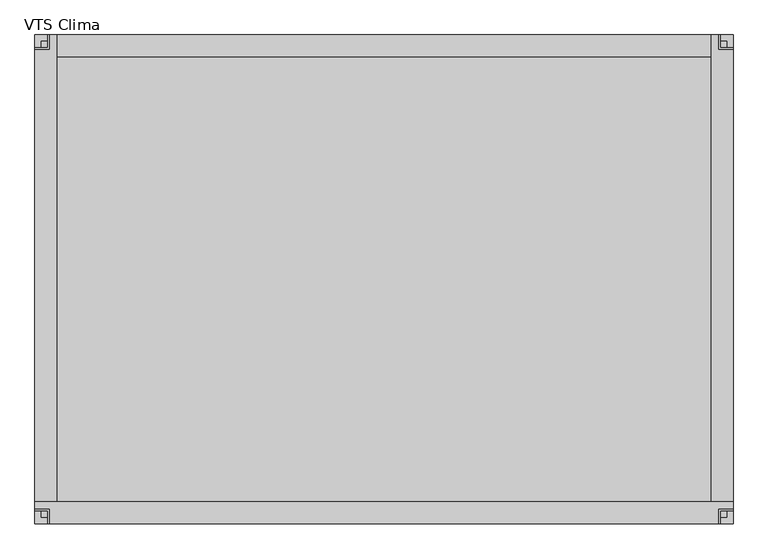
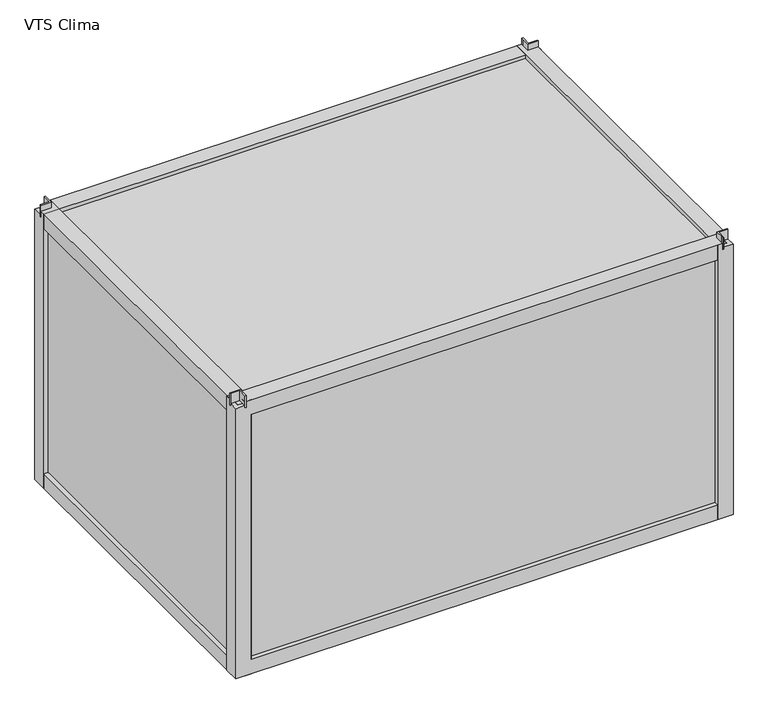
"""IFC4 building model written with IfcOpenShell, lengths in millimetres: proxy geometry, VTS Clima."""

from ifc_helpers import new_model, si_unit, frame, origin, place, context, project, spatial, polyline, outline, extrude, faceted_brep, source, transform, mapped, element, save


def vts_clima_abdf99bc(model_context):
    return source(origin(), model_context, "Body", "SolidModel", [
        faceted_brep([(575.0, -394.9999993, 765.0), (575.0, -413.3098058, 765.0), (575.0, -419.9999993, 765.0), (578.0, -419.9999993, 765.0), (578.0, -397.9999993, 765.0), (600.0, -397.9999993, 765.0), (600.0, -394.9999993, 765.0), (575.0, -394.9999993, 735.0), (600.0, -394.9999993, 735.0), (600.0, -397.9999993, 735.0), (578.0, -397.9999993, 735.0), (578.0, -419.9999993, 735.0), (575.0, -419.9999993, 735.0), (575.0, -413.3098058, 735.0), (578.0, -419.9999993, 750.0), (578.0, -397.9999993, 750.0), (600.0, -397.9999993, 750.0)], [[[0, 1, 2, 3, 4, 5, 6]], [[7, 8, 9, 10, 11, 12, 13]], [[1, 0, 7, 13]], [[2, 1, 13, 12]], [[3, 2, 12, 11, 14]], [[4, 3, 14, 11, 10, 15]], [[5, 4, 15, 10, 9, 16]], [[6, 5, 16, 9, 8]], [[0, 6, 8, 7]]]),
        faceted_brep([(-575.0, -394.9999993, 765.0), (-600.0, -394.9999993, 765.0), (-600.0, -397.9999993, 765.0), (-578.0, -397.9999993, 765.0), (-578.0, -419.9999993, 765.0), (-575.0, -419.9999993, 765.0), (-575.0, -413.3098058, 765.0), (-575.0, -394.9999993, 735.0), (-575.0, -413.3098058, 735.0), (-575.0, -419.9999993, 735.0), (-578.0, -419.9999993, 735.0), (-578.0, -397.9999993, 735.0), (-600.0, -397.9999993, 735.0), (-600.0, -394.9999993, 735.0), (-578.0, -419.9999993, 750.0), (-578.0, -397.9999993, 750.0), (-600.0, -397.9999993, 750.0)], [[[0, 1, 2, 3, 4, 5, 6]], [[7, 8, 9, 10, 11, 12, 13]], [[6, 8, 7, 0]], [[5, 9, 8, 6]], [[4, 14, 10, 9, 5]], [[3, 15, 11, 10, 14, 4]], [[2, 16, 12, 11, 15, 3]], [[1, 13, 12, 16, 2]], [[0, 7, 13, 1]]]),
        faceted_brep([(575.0, 395.0, 765.0), (600.0, 395.0, 765.0), (600.0, 398.0, 765.0), (578.0, 398.0, 765.0), (578.0, 420.0, 765.0), (575.0, 420.0, 765.0), (575.0, 413.3098065, 765.0), (575.0, 395.0, 735.0), (575.0, 413.3098065, 735.0), (575.0, 420.0, 735.0), (578.0, 420.0, 735.0), (578.0, 398.0, 735.0), (600.0, 398.0, 735.0), (600.0, 395.0, 735.0), (578.0, 420.0, 750.0), (578.0, 398.0, 750.0), (600.0, 398.0, 750.0)], [[[0, 1, 2, 3, 4, 5, 6]], [[7, 8, 9, 10, 11, 12, 13]], [[6, 8, 7, 0]], [[5, 9, 8, 6]], [[4, 14, 10, 9, 5]], [[3, 15, 11, 10, 14, 4]], [[2, 16, 12, 11, 15, 3]], [[1, 13, 12, 16, 2]], [[0, 7, 13, 1]]]),
        faceted_brep([(-575.0, 395.0, 765.0), (-575.0, 413.3098065, 765.0), (-575.0, 420.0, 765.0), (-578.0, 420.0, 765.0), (-578.0, 398.0, 765.0), (-600.0, 398.0, 765.0), (-600.0, 395.0, 765.0), (-575.0, 395.0, 735.0), (-600.0, 395.0, 735.0), (-600.0, 398.0, 735.0), (-578.0, 398.0, 735.0), (-578.0, 420.0, 735.0), (-575.0, 420.0, 735.0), (-575.0, 413.3098065, 735.0), (-578.0, 420.0, 750.0), (-578.0, 398.0, 750.0), (-600.0, 398.0, 750.0)], [[[0, 1, 2, 3, 4, 5, 6]], [[7, 8, 9, 10, 11, 12, 13]], [[1, 0, 7, 13]], [[2, 1, 13, 12]], [[3, 2, 12, 11, 14]], [[4, 3, 14, 11, 10, 15]], [[5, 4, 15, 10, 9, 16]], [[6, 5, 16, 9, 8]], [[0, 6, 8, 7]]]),
        faceted_brep([(-600.0, -382.4999993, 750.0), (-600.0, -382.4999993, 50.0), (-600.0, -419.9999993, 50.0), (-600.0, -419.9999993, 740.0), (-600.0, -397.9999993, 740.0), (-600.0, -397.9999993, 750.0), (-562.5, -409.9999993, 712.5), (-562.5, -419.9999993, 712.5), (-562.5, -419.9999993, 87.5), (-562.5, -409.9999993, 87.5), (-589.999999, -409.9999993, 739.999999), (-589.999999, -409.9999993, 60.000001), (-589.999999, -382.4999993, 60.000001), (-589.999999, -382.4999993, 739.999999), (-589.999999, -397.9999993, 739.999999), (600.0, -382.4999993, 50.0), (600.0, -419.9999993, 50.0), (562.5, -419.9999993, 87.5), (562.5, -409.9999993, 87.5), (589.999999, -409.9999993, 60.000001), (589.999999, -382.4999993, 60.000001), (600.0, -382.4999993, 750.0), (600.0, -397.9999993, 750.0), (600.0, -397.9999993, 740.0), (600.0, -419.9999993, 740.0), (562.5, -419.9999993, 712.5), (562.5, -409.9999993, 712.5), (589.999999, -409.9999993, 739.999999), (589.999999, -397.9999993, 740.0), (589.999999, -382.4999993, 739.999999), (-578.0, -397.9999993, 750.0), (-578.0, -419.9999993, 750.0), (578.0, -419.9999993, 750.0), (578.0, -397.9999993, 750.0), (578.0, -419.9999993, 740.0), (-578.0, -419.9999993, 740.0), (-578.0, -409.9999993, 740.0), (578.0, -409.9999993, 739.999999), (578.0, -397.9999993, 739.999999), (-578.0, -397.9999993, 739.999999)], [[[0, 1, 2, 3, 4, 5]], [[6, 7, 8, 9]], [[10, 11, 12, 13, 14]], [[2, 1, 15, 16]], [[9, 8, 17, 18]], [[12, 11, 19, 20]], [[16, 15, 21, 22, 23, 24]], [[18, 17, 25, 26]], [[20, 19, 27, 28, 29]], [[21, 0, 5, 30, 31, 32, 33, 22]], [[2, 16, 24, 34, 32, 31, 35, 3], [8, 7, 25, 17]], [[7, 6, 26, 25]], [[11, 10, 36, 37, 27, 19], [6, 9, 18, 26]], [[13, 29, 28, 38, 37, 36, 39, 14]], [[1, 0, 21, 15], [13, 12, 20, 29]], [[34, 37, 38, 33, 32]], [[33, 38, 28, 23, 22]], [[37, 34, 24, 23, 28, 27]], [[30, 39, 36, 35, 31]], [[39, 30, 5, 4, 14]], [[35, 36, 10, 14, 4, 3]]]),
        faceted_brep([(562.4999993, -420.0, 750.0), (562.4999993, -420.0, 50.0), (599.9999993, -420.0, 50.0), (599.9999993, -420.0, 740.0), (578.0, -420.0, 740.0), (578.0, -420.0, 750.0), (589.9999993, -382.5, 712.5), (599.9999993, -382.5, 712.5), (599.9999993, -382.5, 87.5), (589.9999993, -382.5, 87.5), (589.9999993, -409.999999, 739.999999), (589.9999993, -409.999999, 60.000001), (562.4999993, -409.999999, 60.000001), (562.4999993, -409.999999, 739.999999), (578.0, -409.999999, 739.999999), (562.4999993, 420.0, 50.0), (599.9999993, 420.0, 50.0), (599.9999993, 382.5, 87.5), (589.9999993, 382.5, 87.5), (589.9999993, 409.999999, 60.000001), (562.4999993, 409.999999, 60.000001), (562.4999993, 420.0, 750.0), (578.0, 420.0, 750.0), (578.0, 420.0, 740.0), (599.9999993, 420.0, 740.0), (599.9999993, 382.5, 712.5), (589.9999993, 382.5, 712.5), (589.9999993, 409.999999, 739.999999), (578.0, 409.999999, 740.0), (562.4999993, 409.999999, 739.999999), (578.0, -397.9999993, 750.0), (599.9999993, -397.9999993, 750.0), (599.9999993, 398.0000007, 750.0), (578.0, 398.0000007, 750.0), (599.9999993, 398.0000007, 740.0), (599.9999993, -397.9999993, 740.0), (589.9999993, -397.9999993, 740.0), (589.9999993, 398.0000007, 739.999999), (578.0, 398.0000007, 739.999999), (578.0, -397.9999993, 739.999999)], [[[0, 1, 2, 3, 4, 5]], [[6, 7, 8, 9]], [[10, 11, 12, 13, 14]], [[2, 1, 15, 16]], [[9, 8, 17, 18]], [[12, 11, 19, 20]], [[16, 15, 21, 22, 23, 24]], [[18, 17, 25, 26]], [[20, 19, 27, 28, 29]], [[21, 0, 5, 30, 31, 32, 33, 22]], [[2, 16, 24, 34, 32, 31, 35, 3], [8, 7, 25, 17]], [[7, 6, 26, 25]], [[11, 10, 36, 37, 27, 19], [6, 9, 18, 26]], [[13, 29, 28, 38, 37, 36, 39, 14]], [[1, 0, 21, 15], [13, 12, 20, 29]], [[33, 38, 28, 23, 22]], [[38, 33, 32, 34, 37]], [[23, 28, 27, 37, 34, 24]], [[4, 14, 39, 30, 5]], [[30, 39, 36, 35, 31]], [[14, 4, 3, 35, 36, 10]]]),
        faceted_brep([(-562.4999993, 420.0, 750.0), (-562.4999993, 420.0, 50.0), (-599.9999993, 420.0, 50.0), (-599.9999993, 420.0, 740.0), (-578.0, 420.0, 740.0), (-578.0, 420.0, 750.0), (-589.9999993, 382.5, 712.5), (-599.9999993, 382.5, 712.5), (-599.9999993, 382.5, 87.5), (-589.9999993, 382.5, 87.5), (-589.9999993, 409.999999, 739.999999), (-589.9999993, 409.999999, 60.000001), (-562.4999993, 409.999999, 60.000001), (-562.4999993, 409.999999, 739.999999), (-578.0, 409.999999, 739.999999), (-562.4999993, -420.0, 50.0), (-599.9999993, -420.0, 50.0), (-599.9999993, -382.5, 87.5), (-589.9999993, -382.5, 87.5), (-589.9999993, -409.999999, 60.000001), (-562.4999993, -409.999999, 60.000001), (-562.4999993, -420.0, 750.0), (-578.0, -420.0, 750.0), (-578.0, -420.0, 740.0), (-599.9999993, -420.0, 740.0), (-599.9999993, -382.5, 712.5), (-589.9999993, -382.5, 712.5), (-589.9999993, -409.999999, 739.999999), (-578.0, -409.999999, 740.0), (-562.4999993, -409.999999, 739.999999), (-578.0, 398.0000007, 750.0), (-599.9999993, 398.0000007, 750.0), (-599.9999993, -397.9999993, 750.0), (-578.0, -397.9999993, 750.0), (-599.9999993, -397.9999993, 740.0), (-599.9999993, 398.0000007, 740.0), (-589.9999993, 398.0000007, 740.0), (-589.9999993, -397.9999993, 739.999999), (-578.0, -397.9999993, 739.999999), (-578.0, 398.0000007, 739.999999)], [[[0, 1, 2, 3, 4, 5]], [[6, 7, 8, 9]], [[10, 11, 12, 13, 14]], [[2, 1, 15, 16]], [[9, 8, 17, 18]], [[12, 11, 19, 20]], [[16, 15, 21, 22, 23, 24]], [[18, 17, 25, 26]], [[20, 19, 27, 28, 29]], [[21, 0, 5, 30, 31, 32, 33, 22]], [[2, 16, 24, 34, 32, 31, 35, 3], [8, 7, 25, 17]], [[7, 6, 26, 25]], [[11, 10, 36, 37, 27, 19], [6, 9, 18, 26]], [[13, 29, 28, 38, 37, 36, 39, 14]], [[1, 0, 21, 15], [13, 12, 20, 29]], [[4, 14, 39, 30, 5]], [[30, 39, 36, 35, 31]], [[14, 4, 3, 35, 36, 10]], [[33, 38, 28, 23, 22]], [[38, 33, 32, 34, 37]], [[23, 28, 27, 37, 34, 24]]]),
        faceted_brep([(600.0, 382.4999993, 750.0), (600.0, 382.4999993, 50.0), (600.0, 419.9999993, 50.0), (600.0, 419.9999993, 740.0), (600.0, 398.0000007, 740.0), (600.0, 398.0000007, 750.0), (562.5, 409.9999993, 712.5), (562.5, 419.9999993, 712.5), (562.5, 419.9999993, 87.5), (562.5, 409.9999993, 87.5), (589.999999, 409.9999993, 739.999999), (589.999999, 409.9999993, 60.000001), (589.999999, 382.4999993, 60.000001), (589.999999, 382.4999993, 739.999999), (589.999999, 398.0000007, 739.999999), (-600.0, 382.4999993, 50.0), (-600.0, 419.9999993, 50.0), (-562.5, 419.9999993, 87.5), (-562.5, 409.9999993, 87.5), (-589.999999, 409.9999993, 60.000001), (-589.999999, 382.4999993, 60.000001), (-600.0, 382.4999993, 750.0), (-600.0, 398.0000007, 750.0), (-600.0, 398.0000007, 740.0), (-600.0, 419.9999993, 740.0), (-562.5, 419.9999993, 712.5), (-562.5, 409.9999993, 712.5), (-589.999999, 409.9999993, 739.999999), (-589.999999, 398.0000007, 740.0), (-589.999999, 382.4999993, 739.999999), (578.0, 398.0000007, 750.0), (578.0, 419.9999993, 750.0), (-578.0, 419.9999993, 750.0), (-578.0, 398.0000007, 750.0), (-578.0, 419.9999993, 740.0), (578.0, 419.9999993, 740.0), (578.0, 409.9999993, 740.0), (-578.0, 409.9999993, 739.999999), (-578.0, 398.0000007, 739.999999), (578.0, 398.0000007, 739.999999)], [[[0, 1, 2, 3, 4, 5]], [[6, 7, 8, 9]], [[10, 11, 12, 13, 14]], [[2, 1, 15, 16]], [[9, 8, 17, 18]], [[12, 11, 19, 20]], [[16, 15, 21, 22, 23, 24]], [[18, 17, 25, 26]], [[20, 19, 27, 28, 29]], [[21, 0, 5, 30, 31, 32, 33, 22]], [[2, 16, 24, 34, 32, 31, 35, 3], [8, 7, 25, 17]], [[7, 6, 26, 25]], [[11, 10, 36, 37, 27, 19], [6, 9, 18, 26]], [[13, 29, 28, 38, 37, 36, 39, 14]], [[1, 0, 21, 15], [13, 12, 20, 29]], [[34, 37, 38, 33, 32]], [[33, 38, 28, 23, 22]], [[37, 34, 24, 23, 28, 27]], [[30, 39, 36, 35, 31]], [[39, 30, 5, 4, 14]], [[35, 36, 10, 14, 4, 3]]]),
        extrude(outline(polyline([(590.0, 410.0), (590.0, -410.0), (-590.0, -410.0), (-590.0, 410.0), (590.0, 410.0)])), frame((0.0, 0.0, 60.0), z_axis=(0.0, 0.0, 1.0), x_axis=(1.0, 0.0, 0.0)), (0.0, 0.0, 1.0), 680.0),
    ])


if __name__ == "__main__":
    model = new_model("IFC4")
    model_context = context("Model", 3, world=origin())
    ifc_project = project(units=[si_unit("LENGTHUNIT", "METRE", prefix="MILLI")], contexts=[model_context])
    site = spatial("IfcSite", under=ifc_project)
    building = spatial("IfcBuilding", under=site)
    placement = place(None, origin())
    vts_clima_shape = vts_clima_abdf99bc(model_context)
    element("IfcBuildingElementProxy", 1, Name="VTS Clima", ObjectType="VTS Clima", at=placement, inside=building, context=model_context, shape_type="MappedRepresentation", body=[
        mapped(vts_clima_shape, transform((0.0, 0.0, 0.0), x_axis=(1.0, 0.0, 0.0), y_axis=(0.0, 1.0, 0.0), z_axis=(0.0, 0.0, 1.0))),
    ])
    save(model, "model.ifc")
